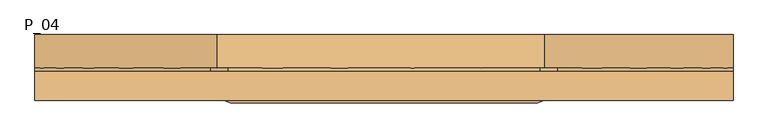
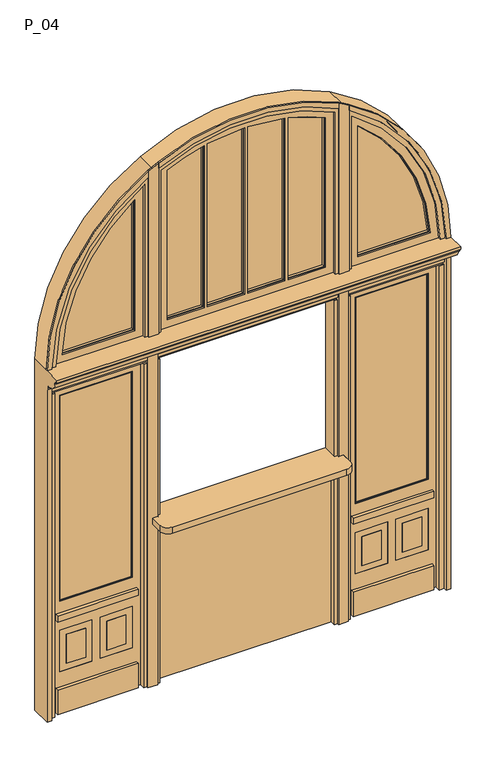
"""IFC4 building model written with IfcOpenShell, lengths in millimetres: door geometry, P_04."""

from ifc_helpers import new_model, si_unit, point, frame, frame_2d, origin, origin_with_axes, place, context, project, spatial, polyline, circle_curve, trimmed, segment, composite_curve, outline, extrude, faceted_brep, source, transform, mapped, element, save
from ifc_brep_helpers import plane_surface, cylinder_surface, revolved_surface, advanced_brep


def p_04_f39f9c70(model_context):
    return source(origin(), model_context, "Body", "SolidModel", [
        extrude(outline(composite_curve([segment(polyline([(540.0, 125.0), (540.0, 35.0), (590.0, 35.0), (590.0, -55.0)]), True, "CONTINUOUS"), segment(trimmed(circle_curve(frame_2d((540.0, -55.0)), 50.0), [point((590.0, -55.0))], [point((540.0, -105.0))], False, "CARTESIAN"), True, "CONTINUOUS"), segment(polyline([(540.0, -105.0), (-540.0, -105.0)]), True, "CONTINUOUS"), segment(trimmed(circle_curve(frame_2d((-540.0, -55.0)), 50.0), [point((-540.0, -105.0))], [point((-590.0, -55.0))], False, "CARTESIAN"), True, "CONTINUOUS"), segment(polyline([(-590.0, -55.0), (-590.0, 35.0), (-540.0, 35.0), (-540.0, 125.0), (540.0, 125.0)]), True, "CONTINUOUS")], self_intersect=False)), frame((0.0, 0.0, 1060.0), z_axis=(0.0, 0.0, 1.0), x_axis=(1.0, 0.0, 0.0)), (0.0, 0.0, 1.0), 40.0),
        extrude(outline(polyline([(-540.0, 105.0), (-540.0, 125.0), (540.0, 125.0), (540.0, 105.0), (-540.0, 105.0)])), frame((0.0, 0.0, 760.0), z_axis=(0.0, 0.0, 1.0), x_axis=(1.0, 0.0, 0.0)), (0.0, 0.0, 1.0), 300.0),
        extrude(outline(composite_curve([segment(polyline([(540.0, 125.0), (540.0, 35.0), (560.0, 35.0), (560.0, 15.0), (590.0, 15.0), (590.0, -55.0)]), True, "CONTINUOUS"), segment(trimmed(circle_curve(frame_2d((540.0, -55.0)), 50.0), [point((590.0, -55.0))], [point((540.0, -105.0))], False, "CARTESIAN"), True, "CONTINUOUS"), segment(polyline([(540.0, -105.0), (-540.0, -105.0)]), True, "CONTINUOUS"), segment(trimmed(circle_curve(frame_2d((-540.0, -55.0)), 50.0), [point((-540.0, -105.0))], [point((-590.0, -55.0))], False, "CARTESIAN"), True, "CONTINUOUS"), segment(polyline([(-590.0, -55.0), (-590.0, 15.0), (-560.0, 15.0), (-560.0, 35.0), (-540.0, 35.0), (-540.0, 125.0), (540.0, 125.0)]), True, "CONTINUOUS")], self_intersect=False)), frame((0.0, 0.0, 1060.0), z_axis=(0.0, 0.0, 1.0), x_axis=(1.0, 0.0, 0.0)), (0.0, 0.0, 1.0), 40.0),
        extrude(outline(polyline([(-540.0, 65.0), (-540.0, 105.0), (540.0, 105.0), (540.0, 65.0), (-540.0, 65.0)])), origin_with_axes(), (0.0, 0.0, 1.0), 1060.0),
        extrude(outline(polyline([(-665.0, 45.0), (-1165.0, 45.0), (-1165.0, 65.0), (-665.0, 65.0), (-665.0, 45.0)])), frame((0.0, 0.0, 605.0), z_axis=(0.0, 0.0, 1.0), x_axis=(1.0, 0.0, 0.0)), (0.0, 0.0, 1.0), 40.0),
        extrude(outline(polyline([(-665.0, 45.0), (-1165.0, 45.0), (-1165.0, 65.0), (-665.0, 65.0), (-665.0, 45.0)])), origin_with_axes(), (0.0, 0.0, 1.0), 160.0),
        extrude(outline(polyline([(1165.0, 45.0), (665.0, 45.0), (665.0, 65.0), (1165.0, 65.0), (1165.0, 45.0)])), frame((0.0, 0.0, 605.0), z_axis=(0.0, 0.0, 1.0), x_axis=(1.0, 0.0, 0.0)), (0.0, 0.0, 1.0), 40.0),
        extrude(outline(polyline([(1165.0, 45.0), (665.0, 45.0), (665.0, 65.0), (1165.0, 65.0), (1165.0, 45.0)])), origin_with_axes(), (0.0, 0.0, 1.0), 160.0),
        extrude(outline(composite_curve([segment(polyline([(3417.5419468, 559.9999974), (2300.0, 559.9999974), (2300.0, 620.0), (3385.4031509, 620.0)]), True, "CONTINUOUS"), segment(trimmed(circle_curve(frame_2d((2300.0, 0.0)), 1250.0), [point((3385.4031509, 620.0))], [point((3417.5419468, 559.9999974))], False, "CARTESIAN"), True, "CONTINUOUS")], self_intersect=False)), frame((0.0, 10.0, 0.0), z_axis=(0.0, 1.0, 0.0), x_axis=(0.0, 0.0, 1.0)), (0.0, 0.0, 1.0), 10.0),
        extrude(outline(composite_curve([segment(polyline([(2300.0, -620.0), (2300.0, -560.0), (3417.5419455, -560.0)]), True, "CONTINUOUS"), segment(trimmed(circle_curve(frame_2d((2300.0, 0.0)), 1250.0), [point((3417.5419455, -560.0))], [point((3385.4031509, -620.0))], False, "CARTESIAN"), True, "CONTINUOUS"), segment(polyline([(3385.4031509, -620.0), (2300.0, -620.0)]), True, "CONTINUOUS")], self_intersect=False)), frame((0.0, 10.0, 0.0), z_axis=(0.0, 1.0, 0.0), x_axis=(0.0, 0.0, 1.0)), (0.0, 0.0, 1.0), 10.0),
        extrude(outline(composite_curve([segment(trimmed(circle_curve(frame_2d((2300.0, 0.0)), 1135.0), [point((2355.0, 1133.6666177))], [point((3197.329371, 695.0))], False, "CARTESIAN"), True, "CONTINUOUS"), segment(polyline([(3197.329371, 695.0), (2355.0, 695.0), (2355.0, 1133.6666177)]), True, "CONTINUOUS")], self_intersect=False)), frame((0.0, 65.0, 0.0), z_axis=(0.0, 1.0, 0.0), x_axis=(0.0, 0.0, 1.0)), (0.0, 0.0, 1.0), 10.0),
        extrude(outline(composite_curve([segment(polyline([(2355.0, 265.0), (2355.0, 485.0), (3326.0554537, 485.0)]), True, "CONTINUOUS"), segment(trimmed(circle_curve(frame_2d((2300.0, 0.0)), 1134.9073945), [point((3326.0554537, 485.0))], [point((3403.5351349, 265.0))], False, "CARTESIAN"), True, "CONTINUOUS"), segment(polyline([(3403.5351349, 265.0), (2355.0, 265.0)]), True, "CONTINUOUS")], self_intersect=False)), frame((0.0, 65.0, 0.0), z_axis=(0.0, 1.0, 0.0), x_axis=(0.0, 0.0, 1.0)), (0.0, 0.0, 1.0), 10.0),
        extrude(outline(composite_curve([segment(polyline([(2355.0, 15.0), (2355.0, 235.0), (3410.4053314, 235.0)]), True, "CONTINUOUS"), segment(trimmed(circle_curve(frame_2d((2300.0, 0.0)), 1135.0), [point((3410.4053314, 235.0))], [point((3434.9008767, 15.0))], False, "CARTESIAN"), True, "CONTINUOUS"), segment(polyline([(3434.9008767, 15.0), (2355.0, 15.0)]), True, "CONTINUOUS")], self_intersect=False)), frame((0.0, 65.0, 0.0), z_axis=(0.0, 1.0, 0.0), x_axis=(0.0, 0.0, 1.0)), (0.0, 0.0, 1.0), 10.0),
        extrude(outline(composite_curve([segment(polyline([(2355.0, -15.0), (3434.9008767, -15.0)]), True, "CONTINUOUS"), segment(trimmed(circle_curve(frame_2d((2300.0, 0.0)), 1135.0), [point((3434.9008767, -15.0))], [point((3410.4053314, -235.0))], False, "CARTESIAN"), True, "CONTINUOUS"), segment(polyline([(3410.4053314, -235.0), (2355.0, -235.0), (2355.0, -15.0)]), True, "CONTINUOUS")], self_intersect=False)), frame((0.0, 65.0, 0.0), z_axis=(0.0, 1.0, 0.0), x_axis=(0.0, 0.0, 1.0)), (0.0, 0.0, 1.0), 10.0),
        extrude(outline(composite_curve([segment(polyline([(2355.0, -485.0), (2355.0, -265.0), (3403.5351349, -265.0)]), True, "CONTINUOUS"), segment(trimmed(circle_curve(frame_2d((2300.0, 0.0)), 1134.9073945), [point((3403.5351349, -265.0))], [point((3326.0554537, -485.0))], False, "CARTESIAN"), True, "CONTINUOUS"), segment(polyline([(3326.0554537, -485.0), (2355.0, -485.0)]), True, "CONTINUOUS")], self_intersect=False)), frame((0.0, 65.0, 0.0), z_axis=(0.0, 1.0, 0.0), x_axis=(0.0, 0.0, 1.0)), (0.0, 0.0, 1.0), 10.0),
        extrude(outline(composite_curve([segment(polyline([(2355.0, -695.0), (3197.329371, -695.0)]), True, "CONTINUOUS"), segment(trimmed(circle_curve(frame_2d((2300.0, 0.0)), 1135.0), [point((3197.329371, -695.0))], [point((2355.0, -1133.6666177))], False, "CARTESIAN"), True, "CONTINUOUS"), segment(polyline([(2355.0, -1133.6666177), (2355.0, -695.0)]), True, "CONTINUOUS")], self_intersect=False)), frame((0.0, 65.0, 0.0), z_axis=(0.0, 1.0, 0.0), x_axis=(0.0, 0.0, 1.0)), (0.0, 0.0, 1.0), 10.0),
        extrude(outline(composite_curve([segment(trimmed(circle_curve(frame_2d((2300.0, 0.0)), 1140.0), [point((2350.0, 1138.9029809))], [point((3207.4690077, 690.0))], False, "CARTESIAN"), True, "CONTINUOUS"), segment(polyline([(3207.4690077, 690.0), (2350.0, 690.0), (2350.0, 1138.9029809)]), True, "CONTINUOUS")], self_intersect=False), holes=[composite_curve([segment(trimmed(circle_curve(frame_2d((2300.0, 0.0)), 1135.0), [point((3197.329371, 695.0))], [point((2355.0, 1133.6666177))], True, "CARTESIAN"), True, "CONTINUOUS"), segment(polyline([(2355.0, 1133.6666177), (2355.0, 695.0), (3197.329371, 695.0)]), True, "CONTINUOUS")], self_intersect=False)]), frame((0.0, 50.0, 0.0), z_axis=(0.0, 1.0, 0.0), x_axis=(0.0, 0.0, 1.0)), (0.0, 0.0, 1.0), 40.0),
        extrude(outline(composite_curve([segment(trimmed(circle_curve(frame_2d((2300.0, 0.0)), 1140.0), [point((3329.320164, 490.0))], [point((3409.954954, 260.0))], False, "CARTESIAN"), True, "CONTINUOUS"), segment(polyline([(3409.954954, 260.0), (2350.0, 260.0), (2350.0, 490.0), (3329.320164, 490.0)]), True, "CONTINUOUS")], self_intersect=False), holes=[composite_curve([segment(polyline([(2355.0, 485.0), (2355.0, 265.0), (3403.5351349, 265.0)]), True, "CONTINUOUS"), segment(trimmed(circle_curve(frame_2d((2300.0, 0.0)), 1134.9073945), [point((3403.5351349, 265.0))], [point((3326.0554537, 485.0))], True, "CARTESIAN"), True, "CONTINUOUS"), segment(polyline([(3326.0554537, 485.0), (2355.0, 485.0)]), True, "CONTINUOUS")], self_intersect=False)]), frame((0.0, 50.0, 0.0), z_axis=(0.0, 1.0, 0.0), x_axis=(0.0, 0.0, 1.0)), (0.0, 0.0, 1.0), 40.0),
        extrude(outline(composite_curve([segment(trimmed(circle_curve(frame_2d((2300.0, 0.0)), 1140.0), [point((3414.4505373, 240.0))], [point((3439.9561395, 10.0))], False, "CARTESIAN"), True, "CONTINUOUS"), segment(polyline([(3439.9561395, 10.0), (2350.0, 10.0), (2350.0, 240.0), (3414.4505373, 240.0)]), True, "CONTINUOUS")], self_intersect=False), holes=[composite_curve([segment(polyline([(2355.0, 235.0), (2355.0, 15.0), (3434.9008767, 15.0)]), True, "CONTINUOUS"), segment(trimmed(circle_curve(frame_2d((2300.0, 0.0)), 1135.0), [point((3434.9008767, 15.0))], [point((3410.4053314, 235.0))], True, "CARTESIAN"), True, "CONTINUOUS"), segment(polyline([(3410.4053314, 235.0), (2355.0, 235.0)]), True, "CONTINUOUS")], self_intersect=False)]), frame((0.0, 50.0, 0.0), z_axis=(0.0, 1.0, 0.0), x_axis=(0.0, 0.0, 1.0)), (0.0, 0.0, 1.0), 40.0),
        extrude(outline(composite_curve([segment(polyline([(2350.0, -10.0), (3439.9561395, -10.0)]), True, "CONTINUOUS"), segment(trimmed(circle_curve(frame_2d((2300.0, 0.0)), 1140.0), [point((3439.9561395, -10.0))], [point((3414.4505373, -240.0))], False, "CARTESIAN"), True, "CONTINUOUS"), segment(polyline([(3414.4505373, -240.0), (2350.0, -240.0), (2350.0, -10.0)]), True, "CONTINUOUS")], self_intersect=False), holes=[composite_curve([segment(trimmed(circle_curve(frame_2d((2300.0, 0.0)), 1135.0), [point((3410.4053314, -235.0))], [point((3434.9008767, -15.0))], True, "CARTESIAN"), True, "CONTINUOUS"), segment(polyline([(3434.9008767, -15.0), (2355.0, -15.0), (2355.0, -235.0), (3410.4053314, -235.0)]), True, "CONTINUOUS")], self_intersect=False)]), frame((0.0, 50.0, 0.0), z_axis=(0.0, 1.0, 0.0), x_axis=(0.0, 0.0, 1.0)), (0.0, 0.0, 1.0), 40.0),
        extrude(outline(composite_curve([segment(polyline([(2350.0, -490.0), (2350.0, -260.0), (3409.954954, -260.0)]), True, "CONTINUOUS"), segment(trimmed(circle_curve(frame_2d((2300.0, 0.0)), 1140.0), [point((3409.954954, -260.0))], [point((3329.320164, -490.0))], False, "CARTESIAN"), True, "CONTINUOUS"), segment(polyline([(3329.320164, -490.0), (2350.0, -490.0)]), True, "CONTINUOUS")], self_intersect=False), holes=[composite_curve([segment(trimmed(circle_curve(frame_2d((2300.0, 0.0)), 1134.9073945), [point((3326.0554537, -485.0))], [point((3403.5351349, -265.0))], True, "CARTESIAN"), True, "CONTINUOUS"), segment(polyline([(3403.5351349, -265.0), (2355.0, -265.0), (2355.0, -485.0), (3326.0554537, -485.0)]), True, "CONTINUOUS")], self_intersect=False)]), frame((0.0, 50.0, 0.0), z_axis=(0.0, 1.0, 0.0), x_axis=(0.0, 0.0, 1.0)), (0.0, 0.0, 1.0), 40.0),
        extrude(outline(composite_curve([segment(polyline([(2350.0, -690.0), (3207.4690077, -690.0)]), True, "CONTINUOUS"), segment(trimmed(circle_curve(frame_2d((2300.0, 0.0)), 1140.0), [point((3207.4690077, -690.0))], [point((2350.0, -1138.9029809))], False, "CARTESIAN"), True, "CONTINUOUS"), segment(polyline([(2350.0, -1138.9029809), (2350.0, -690.0)]), True, "CONTINUOUS")], self_intersect=False), holes=[composite_curve([segment(polyline([(2355.0, -695.0), (2355.0, -1133.6666177)]), True, "CONTINUOUS"), segment(trimmed(circle_curve(frame_2d((2300.0, 0.0)), 1135.0), [point((2355.0, -1133.6666177))], [point((3197.329371, -695.0))], True, "CARTESIAN"), True, "CONTINUOUS"), segment(polyline([(3197.329371, -695.0), (2355.0, -695.0)]), True, "CONTINUOUS")], self_intersect=False)]), frame((0.0, 50.0, 0.0), z_axis=(0.0, 1.0, 0.0), x_axis=(0.0, 0.0, 1.0)), (0.0, 0.0, 1.0), 40.0),
        extrude(outline(composite_curve([segment(trimmed(circle_curve(frame_2d((2300.0, 0.0)), 1190.0), [point((2300.0, 1190.0))], [point((3303.2447358, 640.0))], False, "CARTESIAN"), True, "CONTINUOUS"), segment(polyline([(3303.2447358, 640.0), (2300.0, 640.0), (2300.0, 1190.0)]), True, "CONTINUOUS")], self_intersect=False), holes=[composite_curve([segment(trimmed(circle_curve(frame_2d((2300.0, 0.0)), 1140.0), [point((3207.4690077, 690.0))], [point((2350.0, 1138.9029809))], True, "CARTESIAN"), True, "CONTINUOUS"), segment(polyline([(2350.0, 1138.9029809), (2350.0, 690.0), (3207.4690077, 690.0)]), True, "CONTINUOUS")], self_intersect=False)]), frame((0.0, 40.0, 0.0), z_axis=(0.0, 1.0, 0.0), x_axis=(0.0, 0.0, 1.0)), (0.0, 0.0, 1.0), 60.0),
        extrude(outline(composite_curve([segment(polyline([(2300.0, 540.0), (3360.4244433, 540.0)]), True, "CONTINUOUS"), segment(trimmed(circle_curve(frame_2d((2300.0, 0.0)), 1190.0), [point((3360.4244433, 540.0))], [point((3360.4244433, -540.0))], False, "CARTESIAN"), True, "CONTINUOUS"), segment(polyline([(3360.4244433, -540.0), (2300.0, -540.0), (2300.0, 540.0)]), True, "CONTINUOUS")], self_intersect=False), holes=[composite_curve([segment(polyline([(3329.320164, 490.0), (2350.0, 490.0), (2350.0, 260.0), (3409.954954, 260.0)]), True, "CONTINUOUS"), segment(trimmed(circle_curve(frame_2d((2300.0, 0.0)), 1140.0), [point((3409.954954, 260.0))], [point((3329.320164, 490.0))], True, "CARTESIAN"), True, "CONTINUOUS")], self_intersect=False), composite_curve([segment(polyline([(2350.0, -490.0), (3329.320164, -490.0)]), True, "CONTINUOUS"), segment(trimmed(circle_curve(frame_2d((2300.0, 0.0)), 1140.0), [point((3329.320164, -490.0))], [point((3409.954954, -260.0))], True, "CARTESIAN"), True, "CONTINUOUS"), segment(polyline([(3409.954954, -260.0), (2350.0, -260.0), (2350.0, -490.0)]), True, "CONTINUOUS")], self_intersect=False), composite_curve([segment(polyline([(2350.0, 10.0), (3439.9561395, 10.0)]), True, "CONTINUOUS"), segment(trimmed(circle_curve(frame_2d((2300.0, 0.0)), 1140.0), [point((3439.9561395, 10.0))], [point((3414.4505373, 240.0))], True, "CARTESIAN"), True, "CONTINUOUS"), segment(polyline([(3414.4505373, 240.0), (2350.0, 240.0), (2350.0, 10.0)]), True, "CONTINUOUS")], self_intersect=False), composite_curve([segment(polyline([(2350.0, -10.0), (2350.0, -240.0), (3414.4505373, -240.0)]), True, "CONTINUOUS"), segment(trimmed(circle_curve(frame_2d((2300.0, 0.0)), 1140.0), [point((3414.4505373, -240.0))], [point((3439.9561395, -10.0))], True, "CARTESIAN"), True, "CONTINUOUS"), segment(polyline([(3439.9561395, -10.0), (2350.0, -10.0)]), True, "CONTINUOUS")], self_intersect=False)]), frame((0.0, 40.0, 0.0), z_axis=(0.0, 1.0, 0.0), x_axis=(0.0, 0.0, 1.0)), (0.0, 0.0, 1.0), 60.0),
        extrude(outline(composite_curve([segment(polyline([(2300.0, -640.0), (3303.2447358, -640.0)]), True, "CONTINUOUS"), segment(trimmed(circle_curve(frame_2d((2300.0, 0.0)), 1190.0), [point((3303.2447358, -640.0))], [point((2300.0, -1190.0))], False, "CARTESIAN"), True, "CONTINUOUS"), segment(polyline([(2300.0, -1190.0), (2300.0, -640.0)]), True, "CONTINUOUS")], self_intersect=False), holes=[composite_curve([segment(polyline([(3207.4690077, -690.0), (2350.0, -690.0), (2350.0, -1138.9029809)]), True, "CONTINUOUS"), segment(trimmed(circle_curve(frame_2d((2300.0, 0.0)), 1140.0), [point((2350.0, -1138.9029809))], [point((3207.4690077, -690.0))], True, "CARTESIAN"), True, "CONTINUOUS")], self_intersect=False)]), frame((0.0, 40.0, 0.0), z_axis=(0.0, 1.0, 0.0), x_axis=(0.0, 0.0, 1.0)), (0.0, 0.0, 1.0), 60.0),
        extrude(outline(composite_curve([segment(trimmed(circle_curve(frame_2d((2300.0, 0.0)), 1220.0), [point((3370.6578316, 584.8861492))], [point((3369.3386235, -587.2945669))], False, "CARTESIAN"), True, "CONTINUOUS"), segment(trimmed(circle_curve(frame_2d((2300.0, 0.0)), 1220.0), [point((3369.3386235, -587.2945669))], [point((2300.0, -1220.0))], False, "CARTESIAN"), True, "CONTINUOUS"), segment(polyline([(2300.0, -1220.0), (2300.0, -1190.0)]), True, "CONTINUOUS"), segment(trimmed(circle_curve(frame_2d((2300.0, 0.0)), 1190.0), [point((2300.0, -1190.0))], [point((3303.2447358, -640.0))], True, "CARTESIAN"), True, "CONTINUOUS"), segment(polyline([(3303.2447358, -640.0), (2300.0, -640.0), (2300.0, -540.0), (3360.4244433, -540.0)]), True, "CONTINUOUS"), segment(trimmed(circle_curve(frame_2d((2300.0, 0.0)), 1190.0), [point((3360.4244433, -540.0))], [point((3360.4244433, 540.0))], True, "CARTESIAN"), True, "CONTINUOUS"), segment(polyline([(3360.4244433, 540.0), (2300.0, 540.0), (2300.0, 640.0), (3303.2447358, 640.0)]), True, "CONTINUOUS"), segment(trimmed(circle_curve(frame_2d((2300.0, 0.0)), 1190.0), [point((3303.2447358, 640.0))], [point((2300.0, 1190.0))], True, "CARTESIAN"), True, "CONTINUOUS"), segment(polyline([(2300.0, 1190.0), (2300.0, 1220.0)]), True, "CONTINUOUS"), segment(trimmed(circle_curve(frame_2d((2300.0, 0.0)), 1220.0), [point((2300.0, 1220.0))], [point((3370.6578316, 584.8861492))], False, "CARTESIAN"), True, "CONTINUOUS")], self_intersect=False)), frame((0.0, 20.0, 0.0), z_axis=(0.0, 1.0, 0.0), x_axis=(0.0, 0.0, 1.0)), (0.0, 0.0, 1.0), 100.0),
        advanced_brep(
        [(-1250.0, 10.0, 0.0), (-1220.0, 10.0, 0.0), (-1220.0, 10.0, 2180.0), (-1250.0, 10.0, 2180.0), (1220.0, 10.0, 0.0), (1250.0, 10.0, 0.0), (1250.0, 10.0, 2180.0), (1220.0, 10.0, 2180.0), (-1220.0, 10.0, 2300.0), (-620.0, 10.0, 3350.7140429), (-620.0, 10.0, 3385.4031509), (-1250.0, 10.0, 2300.0), (1250.0, 10.0, 2300.0), (620.0, 10.0, 3385.4031509), (620.0, 10.0, 3350.7140429), (1220.0, 10.0, 2300.0), (-560.0, 10.0, 3417.5419455), (-560.0, 10.0, 3383.8819124), (559.9999974, 10.0, 3383.8819137), (559.9999974, 10.0, 3417.5419468), (-1250.0, 140.0, 0.0), (-1220.0, 140.0, 0.0), (-1220.0, 140.0, 2300.0), (-1220.0, 120.0, 2300.0), (-1220.0, 120.0, 2120.0), (-1220.0, 60.0, 2120.0), (-1220.0, 60.0, 2180.0), (1220.0, 140.0, 2300.0), (1220.0, 140.0, 0.0), (1220.0, 60.0, 2180.0), (1220.0, 60.0, 2120.0), (1220.0, 120.0, 2120.0), (1220.0, 120.0, 2300.0), (1250.0, 140.0, 0.0), (1250.0, 20.0, 2300.0), (1250.0, -95.0, 2300.0), (1250.0, -95.0, 2285.0), (1250.0, -85.0, 2285.0), (1250.0, -85.0, 2270.0), (1250.0, -75.0, 2270.0), (1250.0, -15.0, 2210.0), (1250.0, -5.0, 2210.0), (1250.0, -5.0, 2195.0), (1250.0, 5.0, 2195.0), (1250.0, 5.0, 2180.0), (1250.0, 140.0, 2300.0), (-1250.0, 20.0, 2300.0), (-1250.0, 140.0, 2300.0), (-1250.0, 5.0, 2180.0), (-1250.0, 5.0, 2195.0), (-1250.0, -5.0, 2195.0), (-1250.0, -5.0, 2210.0), (-1250.0, -15.0, 2210.0), (-1250.0, -75.0, 2270.0), (-1250.0, -85.0, 2270.0), (-1250.0, -85.0, 2285.0), (-1250.0, -95.0, 2285.0), (-1250.0, -95.0, 2300.0), (596.8275039, 140.0, 3364.0474287), (-602.4969533, 140.0, 3360.8475014), (-599.4350824, 140.0, 3396.8945173), (575.7103184, 140.0, 3409.5303643), (-1220.0, 20.0, 2300.0), (-620.0, 20.0, 3350.7140429), (-620.0, 20.0, 3385.4031509), (620.0, 20.0, 3385.4031509), (620.0, 20.0, 3350.7140429), (1220.0, 20.0, 2300.0), (-560.0, 20.0, 3417.5419455), (-560.0, 20.0, 3383.8819124), (559.9999974, 20.0, 3383.8819137), (559.9999974, 20.0, 3417.5419468), (-602.4969533, 20.0, 3360.8475014), (-599.4350824, 20.0, 3396.8945173), (596.8275039, 20.0, 3364.0474287), (575.7103184, 20.0, 3409.5303643)],
        [
            (0, 1),
            (1, 2),
            (2, 3),
            (3, 0),
            (4, 5),
            (5, 6),
            (6, 7),
            (7, 4),
            (8, 9, circle_curve(frame((0.0, 10.0, 2300.0), z_axis=(0.0, 1.0, 0.0), x_axis=(1.0, 0.0, 0.0)), 1220.0)),
            (9, 10),
            (10, 11, circle_curve(frame((0.0, 10.0, 2300.0), z_axis=(0.0, -1.0, 0.0), x_axis=(1.0, 0.0, 0.0)), 1250.0)),
            (11, 8),
            (12, 13, circle_curve(frame((0.0, 10.0, 2300.0), z_axis=(0.0, -1.0, 0.0), x_axis=(1.0, 0.0, 0.0)), 1250.0)),
            (13, 14),
            (14, 15, circle_curve(frame((0.0, 10.0, 2300.0), z_axis=(0.0, 1.0, 0.0), x_axis=(1.0, 0.0, 0.0)), 1220.0)),
            (15, 12),
            (16, 17),
            (17, 18, circle_curve(frame((0.0, 10.0, 2300.0), z_axis=(0.0, 1.0, 0.0), x_axis=(1.0, 0.0, 0.0)), 1220.0)),
            (18, 19),
            (19, 16, circle_curve(frame((0.0, 10.0, 2300.0), z_axis=(0.0, -1.0, 0.0), x_axis=(1.0, 0.0, 0.0)), 1250.0)),
            (0, 20),
            (20, 21),
            (21, 1),
            (21, 22),
            (22, 23),
            (23, 24),
            (24, 25),
            (25, 26),
            (26, 2),
            (27, 28),
            (28, 4),
            (7, 29),
            (29, 30),
            (30, 31),
            (31, 32),
            (32, 27),
            (28, 33),
            (33, 5),
            (34, 12),
            (12, 35),
            (35, 36),
            (36, 37),
            (37, 38),
            (38, 39),
            (39, 40, circle_curve(frame((1250.0, -15.0, 2270.0), z_axis=(1.0, 0.0, 0.0), x_axis=(0.0, 0.0, 1.0)), 60.0)),
            (40, 41),
            (41, 42),
            (42, 43),
            (43, 44),
            (44, 6),
            (33, 45),
            (45, 34),
            (11, 46),
            (46, 47),
            (47, 20),
            (3, 48),
            (48, 49),
            (49, 50),
            (50, 51),
            (51, 52),
            (52, 53, circle_curve(frame((-1250.0, -15.0, 2270.0), z_axis=(-1.0, 0.0, 0.0), x_axis=(0.0, 0.0, 1.0)), 60.0)),
            (53, 54),
            (54, 55),
            (55, 56),
            (56, 57),
            (57, 11),
            (27, 58, circle_curve(frame((0.0, 140.0, 2300.0), z_axis=(0.0, -1.0, 0.0), x_axis=(1.0, 0.0, 0.0)), 1220.0)),
            (58, 59, circle_curve(frame((0.0, 140.0, 2300.0), z_axis=(0.0, -1.0, 0.0), x_axis=(1.0, 0.0, 0.0)), 1220.0)),
            (59, 22, circle_curve(frame((0.0, 140.0, 2300.0), z_axis=(0.0, -1.0, 0.0), x_axis=(1.0, 0.0, 0.0)), 1220.0)),
            (47, 60, circle_curve(frame((0.0, 140.0, 2300.0), z_axis=(0.0, 1.0, 0.0), x_axis=(1.0, 0.0, 0.0)), 1250.0)),
            (60, 61, circle_curve(frame((0.0, 140.0, 2300.0), z_axis=(0.0, 1.0, 0.0), x_axis=(1.0, 0.0, 0.0)), 1250.0)),
            (61, 45, circle_curve(frame((0.0, 140.0, 2300.0), z_axis=(0.0, 1.0, 0.0), x_axis=(1.0, 0.0, 0.0)), 1250.0)),
            (8, 62),
            (62, 63, circle_curve(frame((0.0, 20.0, 2300.0), z_axis=(0.0, 1.0, 0.0), x_axis=(1.0, 0.0, 0.0)), 1220.0)),
            (63, 9),
            (63, 64),
            (64, 10),
            (64, 46, circle_curve(frame((0.0, 20.0, 2300.0), z_axis=(0.0, -1.0, 0.0), x_axis=(1.0, 0.0, 0.0)), 1250.0)),
            (34, 65, circle_curve(frame((0.0, 20.0, 2300.0), z_axis=(0.0, -1.0, 0.0), x_axis=(1.0, 0.0, 0.0)), 1250.0)),
            (65, 13),
            (65, 66),
            (66, 14),
            (66, 67, circle_curve(frame((0.0, 20.0, 2300.0), z_axis=(0.0, 1.0, 0.0), x_axis=(1.0, 0.0, 0.0)), 1220.0)),
            (67, 15),
            (16, 68),
            (68, 69),
            (69, 17),
            (69, 70, circle_curve(frame((0.0, 20.0, 2300.0), z_axis=(0.0, 1.0, 0.0), x_axis=(1.0, 0.0, 0.0)), 1220.0)),
            (70, 18),
            (70, 71),
            (71, 19),
            (71, 68, circle_curve(frame((0.0, 20.0, 2300.0), z_axis=(0.0, -1.0, 0.0), x_axis=(1.0, 0.0, 0.0)), 1250.0)),
            (59, 72),
            (72, 63, circle_curve(frame((0.0, 20.0, 2300.0), z_axis=(0.0, -1.0, 0.0), x_axis=(1.0, 0.0, 0.0)), 1220.0)),
            (62, 23),
            (73, 64, circle_curve(frame((0.0, 20.0, 2300.0), z_axis=(0.0, -1.0, 0.0), x_axis=(1.0, 0.0, 0.0)), 1250.0)),
            (72, 69, circle_curve(frame((0.0, 20.0, 2300.0), z_axis=(0.0, 1.0, 0.0), x_axis=(1.0, 0.0, 0.0)), 1220.0)),
            (68, 73, circle_curve(frame((0.0, 20.0, 2300.0), z_axis=(0.0, -1.0, 0.0), x_axis=(1.0, 0.0, 0.0)), 1250.0)),
            (74, 66, circle_curve(frame((0.0, 20.0, 2300.0), z_axis=(0.0, 1.0, 0.0), x_axis=(1.0, 0.0, 0.0)), 1220.0)),
            (65, 75, circle_curve(frame((0.0, 20.0, 2300.0), z_axis=(0.0, -1.0, 0.0), x_axis=(1.0, 0.0, 0.0)), 1250.0)),
            (75, 71, circle_curve(frame((0.0, 20.0, 2300.0), z_axis=(0.0, -1.0, 0.0), x_axis=(1.0, 0.0, 0.0)), 1250.0)),
            (70, 74, circle_curve(frame((0.0, 20.0, 2300.0), z_axis=(0.0, 1.0, 0.0), x_axis=(1.0, 0.0, 0.0)), 1220.0)),
            (73, 60),
            (61, 75),
            (32, 67),
            (74, 58),
            (24, 31),
            (30, 25),
            (57, 35),
            (32, 23),
            (29, 26),
            (44, 48),
            (49, 43),
            (42, 50),
            (41, 51),
            (40, 52),
            (39, 53),
            (38, 54),
            (37, 55),
            (36, 56),
        ],
        [
            plane_surface(frame((-1250.0, 10.0, 0.0), z_axis=(0.0, -1.0, 0.0), x_axis=(1.0, 0.0, 0.0))),
            plane_surface(frame((-1250.0, 10.0, 0.0), z_axis=(0.0, 0.0, -1.0), x_axis=(0.0, 1.0, 0.0))),
            plane_surface(frame((-1220.0, 10.0, 0.0), z_axis=(1.0, 0.0, 0.0), x_axis=(0.0, 1.0, 0.0))),
            plane_surface(frame((1220.0, 10.0, 2300.0), z_axis=(-1.0, 0.0, 0.0), x_axis=(0.0, 1.0, 0.0))),
            plane_surface(frame((1220.0, 10.0, 0.0), z_axis=(0.0, 0.0, -1.0), x_axis=(0.0, 1.0, 0.0))),
            plane_surface(frame((1250.0, 10.0, 0.0), z_axis=(1.0, 0.0, 0.0), x_axis=(0.0, 1.0, 0.0))),
            plane_surface(frame((-1250.0, 10.0, 2300.0), z_axis=(-1.0, 0.0, 0.0), x_axis=(0.0, 1.0, 0.0))),
            plane_surface(frame((1250.0, 140.0, 2300.0), z_axis=(0.0, 1.0, 0.0), x_axis=(0.0, 0.0, -1.0))),
            revolved_surface(polyline([(1220.0, 20.0, 2300.0), (1220.0, 10.0, 2300.0)]), (0.0, 20.0, 2300.0), (0.0, 1.0, 0.0)),
            plane_surface(frame((-620.0, 10.0, 3350.7140429), z_axis=(1.0, 0.0, 0.0), x_axis=(0.0, 1.0, 0.0))),
            cylinder_surface(frame((0.0, 20.0, 2300.0), z_axis=(0.0, -1.0, 0.0), x_axis=(1.0, 0.0, 0.0)), 1250.0),
            cylinder_surface(frame((0.0, -220.0, 2300.0), z_axis=(0.0, -1.0, 0.0), x_axis=(1.0, 0.0, 0.0)), 1250.0),
            plane_surface(frame((620.0, 10.0, 3385.4031509), z_axis=(-1.0, 0.0, 0.0), x_axis=(0.0, 1.0, 0.0))),
            revolved_surface(polyline([(1220.0, 20.0, 2300.0), (1220.0, 10.0, 2300.0)]), (0.0, -220.0, 2300.0), (0.0, 1.0, 0.0)),
            plane_surface(frame((-560.0, 10.0, 3417.5419455), z_axis=(-1.0, 0.0, 0.0), x_axis=(0.0, 1.0, 0.0))),
            plane_surface(frame((559.9999974, 10.0, 3383.8819137), z_axis=(1.0, 0.0, 0.0), x_axis=(0.0, 1.0, 0.0))),
            revolved_surface(polyline([(1220.0, 140.0, 2300.0), (1220.0, 20.0, 2300.0)]), (0.0, 140.0, 2300.0), (0.0, 1.0, 0.0)),
            plane_surface(frame((1250.0, 20.0, 2300.0), z_axis=(0.0, -1.0, 0.0), x_axis=(0.0, 0.0, 1.0))),
            cylinder_surface(frame((0.0, 140.0, 2300.0), z_axis=(0.0, -1.0, 0.0), x_axis=(1.0, 0.0, 0.0)), 1250.0),
            plane_surface(frame((-1250.0, 120.0, 2120.0), z_axis=(0.0, 0.0, -1.0), x_axis=(1.0, 0.0, 0.0))),
            plane_surface(frame((-1250.0, -95.0, 2300.0), z_axis=(0.0, 0.0, 1.0), x_axis=(1.0, 0.0, 0.0))),
            plane_surface(frame((-1250.0, 120.0, 2300.0), z_axis=(0.0, 1.0, 0.0), x_axis=(1.0, 0.0, 0.0))),
            plane_surface(frame((-1250.0, 60.0, 2120.0), z_axis=(0.0, -1.0, 0.0), x_axis=(1.0, 0.0, 0.0))),
            plane_surface(frame((-1250.0, 60.0, 2180.0), z_axis=(0.0, 0.0, -1.0), x_axis=(1.0, 0.0, 0.0))),
            plane_surface(frame((-1250.0, 5.0, 2195.0), z_axis=(0.0, 0.0, -1.0), x_axis=(1.0, 0.0, 0.0))),
            plane_surface(frame((-1250.0, -5.0, 2195.0), z_axis=(0.0, -1.0, 0.0), x_axis=(1.0, 0.0, 0.0))),
            plane_surface(frame((-1250.0, -5.0, 2210.0), z_axis=(0.0, 0.0, -1.0), x_axis=(1.0, 0.0, 0.0))),
            cylinder_surface(frame((1250.0, -15.0, 2270.0), z_axis=(-1.0, 0.0, 0.0), x_axis=(0.0, 0.0, 1.0)), 60.0),
            plane_surface(frame((-1250.0, -75.0, 2270.0), z_axis=(0.0, 0.0, -1.0), x_axis=(1.0, 0.0, 0.0))),
            plane_surface(frame((-1250.0, -85.0, 2270.0), z_axis=(0.0, -1.0, 0.0), x_axis=(1.0, 0.0, 0.0))),
            plane_surface(frame((-1250.0, -85.0, 2285.0), z_axis=(0.0, 0.0, -1.0), x_axis=(1.0, 0.0, 0.0))),
            plane_surface(frame((-1250.0, -95.0, 2285.0), z_axis=(0.0, -1.0, 0.0), x_axis=(1.0, 0.0, 0.0))),
            plane_surface(frame((-1250.0, 5.0, 2180.0), z_axis=(0.0, -1.0, 0.0), x_axis=(1.0, 0.0, 0.0))),
        ],
        [
            (0, [[1, 2, 3, 4]]),
            (0, [[5, 6, 7, 8]]),
            (0, [[9, 10, 11, 12]]),
            (0, [[13, 14, 15, 16]]),
            (0, [[17, 18, 19, 20]]),
            (1, [[-1, 21, 22, 23]]),
            (2, [[24, 25, 26, 27, 28, 29, -2, -23]]),
            (3, [[30, 31, -8, 32, 33, 34, 35, 36]]),
            (4, [[-5, -31, 37, 38]]),
            (5, [[39, 40, 41, 42, 43, 44, 45, 46, 47, 48, 49, 50, -6, -38, 51, 52]]),
            (6, [[53, 54, 55, -21, -4, 56, 57, 58, 59, 60, 61, 62, 63, 64, 65, 66]]),
            (7, [[-51, -37, -30, 67, 68, 69, -24, -22, -55, 70, 71, 72]]),
            (8, [[-9, 73, 74, 75]]),
            (9, [[-10, -75, 76, 77]]),
            (10, [[-11, -77, 78, -53]]),
            (11, [[-13, -39, 79, 80]]),
            (12, [[-14, -80, 81, 82]]),
            (13, [[-15, -82, 83, 84]]),
            (14, [[-17, 85, 86, 87]]),
            (13, [[-18, -87, 88, 89]]),
            (15, [[-19, -89, 90, 91]]),
            (11, [[-20, -91, 92, -85]]),
            (16, [[-69, 93, 94, -74, 95, -25]]),
            (17, [[96, -76, -94, 97, -86, 98]]),
            (17, [[99, -81, 100, 101, -90, 102]]),
            (18, [[-70, -54, -78, -96, 103]]),
            (18, [[-52, -72, 104, -100, -79]]),
            (16, [[-67, -36, 105, -83, -99, 106]]),
            (16, [[-68, -106, -102, -88, -97, -93]]),
            (18, [[-71, -103, -98, -92, -101, -104]]),
            (19, [[107, -34, 108, -27]]),
            (20, [[109, -40, -16, -84, -105, 110, -95, -73, -12, -66]]),
            (21, [[-110, -35, -107, -26]]),
            (22, [[-108, -33, 111, -28]]),
            (23, [[112, -56, -3, -29, -111, -32, -7, -50]]),
            (24, [[-58, 113, -48, 114]]),
            (25, [[-59, -114, -47, 115]]),
            (26, [[-60, -115, -46, 116]]),
            (27, [[-61, -116, -45, 117]]),
            (28, [[-62, -117, -44, 118]]),
            (29, [[-63, -118, -43, 119]]),
            (30, [[-64, -119, -42, 120]]),
            (31, [[-65, -120, -41, -109]]),
            (32, [[-57, -112, -49, -113]]),
        ],
    ),
        faceted_brep([(-1220.0, 40.0, 2140.0), (-1220.0, 40.0, 2160.0), (-620.0, 40.0, 2160.0), (-620.0, 40.0, 2180.0), (-560.0, 40.0, 2180.0), (-560.0, 40.0, 2160.0), (560.0, 40.0, 2160.0), (560.0, 40.0, 2180.0), (620.0, 40.0, 2180.0), (620.0, 40.0, 2160.0), (1220.0, 40.0, 2160.0), (1220.0, 40.0, 2140.0), (620.0, 40.0, 2140.0), (620.0, 40.0, 0.0), (560.0, 40.0, 0.0), (560.0, 40.0, 2140.0), (-560.0, 40.0, 2140.0), (-560.0, 40.0, 0.0), (-620.0, 40.0, 0.0), (-620.0, 40.0, 2140.0), (620.0, 20.0, 2180.0), (620.0, 20.0, 0.0), (620.0, 25.0, 2140.0), (620.0, 25.0, 2160.0), (560.0, 20.0, 0.0), (560.0, 20.0, 2180.0), (560.0, 25.0, 2160.0), (560.0, 25.0, 2140.0), (-560.0, 20.0, 2180.0), (-560.0, 20.0, 0.0), (-560.0, 25.0, 2140.0), (-560.0, 25.0, 2160.0), (-620.0, 20.0, 0.0), (-620.0, 20.0, 2180.0), (-620.0, 25.0, 2160.0), (-620.0, 25.0, 2140.0), (1220.0, 25.0, 2140.0), (1220.0, 25.0, 2160.0), (-1220.0, 25.0, 2160.0), (-1220.0, 25.0, 2140.0)], [[[0, 1, 2, 3, 4, 5, 6, 7, 8, 9, 10, 11, 12, 13, 14, 15, 16, 17, 18, 19]], [[20, 21, 13, 12, 22, 23, 9, 8]], [[14, 13, 21, 24]], [[24, 25, 7, 6, 26, 27, 15, 14]], [[28, 29, 17, 16, 30, 31, 5, 4]], [[18, 17, 29, 32]], [[32, 33, 3, 2, 34, 35, 19, 18]], [[28, 33, 32, 29]], [[20, 25, 24, 21]], [[36, 37, 23, 22]], [[38, 39, 35, 34]], [[26, 31, 30, 27]], [[37, 36, 11, 10]], [[31, 26, 6, 5]], [[37, 10, 9, 23]], [[1, 38, 34, 2]], [[39, 38, 1, 0]], [[27, 30, 16, 15]], [[11, 36, 22, 12]], [[39, 0, 19, 35]], [[4, 3, 33, 28]], [[8, 7, 25, 20]]]),
        faceted_brep([(-1220.0, 40.0, 2180.0), (-1220.0, 40.0, 2120.0), (-1190.0, 40.0, 2120.0), (-640.0, 40.0, 2120.0), (-540.0, 40.0, 2120.0), (540.0, 40.0, 2120.0), (640.0, 40.0, 2120.0), (1190.0, 40.0, 2120.0), (1220.0, 40.0, 2120.0), (1220.0, 40.0, 2180.0), (-1190.0, 30.0, 0.0), (-1220.0, 30.0, 0.0), (-1220.0, 120.0, 0.0), (-1190.0, 120.0, 0.0), (-1190.0, 30.0, 2120.0), (-1190.0, 120.0, 2120.0), (-1190.0, 65.0, 2120.0), (-640.0, 30.0, 0.0), (-640.0, 30.0, 2120.0), (-640.0, 65.0, 2120.0), (-640.0, 120.0, 2120.0), (-640.0, 120.0, 0.0), (-540.0, 30.0, 0.0), (-540.0, 120.0, 0.0), (-540.0, 30.0, 2120.0), (-540.0, 120.0, 2120.0), (-540.0, 65.0, 2120.0), (540.0, 30.0, 0.0), (540.0, 30.0, 2120.0), (540.0, 65.0, 2120.0), (540.0, 120.0, 2120.0), (540.0, 120.0, 0.0), (640.0, 30.0, 0.0), (640.0, 120.0, 0.0), (640.0, 30.0, 2120.0), (640.0, 120.0, 2120.0), (640.0, 65.0, 2120.0), (1190.0, 30.0, 0.0), (1190.0, 30.0, 2120.0), (1190.0, 65.0, 2120.0), (1190.0, 120.0, 2120.0), (1190.0, 120.0, 0.0), (1220.0, 30.0, 0.0), (1220.0, 120.0, 0.0), (1220.0, 30.0, 2120.0), (1220.0, 120.0, 2120.0), (1220.0, 65.0, 2120.0), (1220.0, 65.0, 2180.0), (-1220.0, 65.0, 2180.0), (-1220.0, 65.0, 2120.0), (-1220.0, 120.0, 2120.0), (-1220.0, 30.0, 2120.0)], [[[0, 1, 2, 3, 4, 5, 6, 7, 8, 9]], [[10, 11, 12, 13]], [[14, 10, 13, 15, 16, 2]], [[17, 18, 3, 19, 20, 21]], [[22, 17, 21, 23]], [[24, 22, 23, 25, 26, 4]], [[27, 28, 5, 29, 30, 31]], [[32, 27, 31, 33]], [[34, 32, 33, 35, 36, 6]], [[37, 38, 7, 39, 40, 41]], [[42, 37, 41, 43]], [[9, 8, 44, 42, 43, 45, 46, 47]], [[1, 0, 48, 49, 50, 12, 11, 51]], [[25, 23, 21, 20]], [[35, 33, 31, 30]], [[43, 41, 40, 45]], [[50, 15, 13, 12]], [[48, 47, 46, 39, 36, 29, 26, 19, 16, 49]], [[0, 9, 47, 48]], [[3, 2, 16, 19]], [[5, 4, 26, 29]], [[7, 6, 36, 39]], [[35, 30, 29, 36]], [[28, 34, 6, 5]], [[25, 20, 19, 26]], [[18, 24, 4, 3]], [[45, 40, 39, 46]], [[38, 44, 8, 7]], [[15, 50, 49, 16]], [[51, 14, 2, 1]], [[42, 44, 38, 37]], [[51, 11, 10, 14]], [[34, 28, 27, 32]], [[24, 18, 17, 22]]]),
        extrude(outline(polyline([(-695.0, 71.0), (-1135.0, 71.0), (-1135.0, 79.0), (-695.0, 79.0), (-695.0, 71.0)])), frame((0.0, 0.0, 725.0), z_axis=(0.0, 0.0, 1.0), x_axis=(1.0, 0.0, 0.0)), (0.0, 0.0, 1.0), 1340.0),
        extrude(outline(polyline([(1135.0, 71.0), (695.0, 71.0), (695.0, 79.0), (1135.0, 79.0), (1135.0, 71.0)])), frame((0.0, 0.0, 725.0), z_axis=(0.0, 0.0, 1.0), x_axis=(1.0, 0.0, 0.0)), (0.0, 0.0, 1.0), 1340.0),
        extrude(outline(polyline([(530.0, -940.0), (530.0, -1140.0), (260.0, -1140.0), (260.0, -940.0), (530.0, -940.0)]), holes=[polyline([(525.0, -945.0), (265.0, -945.0), (265.0, -1135.0), (525.0, -1135.0), (525.0, -945.0)])]), frame((0.0, 70.0, 0.0), z_axis=(0.0, 1.0, 0.0), x_axis=(0.0, 0.0, 1.0)), (0.0, 0.0, 1.0), 5.0),
        extrude(outline(polyline([(530.0, -690.0), (530.0, -890.0), (260.0, -890.0), (260.0, -690.0), (530.0, -690.0)]), holes=[polyline([(525.0, -695.0), (265.0, -695.0), (265.0, -885.0), (525.0, -885.0), (525.0, -695.0)])]), frame((0.0, 70.0, 0.0), z_axis=(0.0, 1.0, 0.0), x_axis=(0.0, 0.0, 1.0)), (0.0, 0.0, 1.0), 5.0),
        extrude(outline(polyline([(530.0, 890.0), (530.0, 690.0), (260.0, 690.0), (260.0, 890.0), (530.0, 890.0)]), holes=[polyline([(525.0, 885.0), (265.0, 885.0), (265.0, 695.0), (525.0, 695.0), (525.0, 885.0)])]), frame((0.0, 70.0, 0.0), z_axis=(0.0, 1.0, 0.0), x_axis=(0.0, 0.0, 1.0)), (0.0, 0.0, 1.0), 5.0),
        extrude(outline(polyline([(530.0, 1140.0), (530.0, 940.0), (260.0, 940.0), (260.0, 1140.0), (530.0, 1140.0)]), holes=[polyline([(525.0, 1135.0), (265.0, 1135.0), (265.0, 945.0), (525.0, 945.0), (525.0, 1135.0)])]), frame((0.0, 70.0, 0.0), z_axis=(0.0, 1.0, 0.0), x_axis=(0.0, 0.0, 1.0)), (0.0, 0.0, 1.0), 5.0),
        extrude(outline(polyline([(495.0, 855.0), (495.0, 725.0), (295.0, 725.0), (295.0, 855.0), (495.0, 855.0)]), holes=[polyline([(490.0, 850.0), (300.0, 850.0), (300.0, 730.0), (490.0, 730.0), (490.0, 850.0)])]), frame((0.0, 70.0, 0.0), z_axis=(0.0, 1.0, 0.0), x_axis=(0.0, 0.0, 1.0)), (0.0, 0.0, 1.0), 5.0),
        extrude(outline(polyline([(495.0, 1105.0), (495.0, 975.0), (295.0, 975.0), (295.0, 1105.0), (495.0, 1105.0)]), holes=[polyline([(490.0, 1100.0), (300.0, 1100.0), (300.0, 980.0), (490.0, 980.0), (490.0, 1100.0)])]), frame((0.0, 70.0, 0.0), z_axis=(0.0, 1.0, 0.0), x_axis=(0.0, 0.0, 1.0)), (0.0, 0.0, 1.0), 5.0),
        extrude(outline(polyline([(495.0, -975.0), (495.0, -1105.0), (295.0, -1105.0), (295.0, -975.0), (495.0, -975.0)]), holes=[polyline([(490.0, -980.0), (300.0, -980.0), (300.0, -1100.0), (490.0, -1100.0), (490.0, -980.0)])]), frame((0.0, 70.0, 0.0), z_axis=(0.0, 1.0, 0.0), x_axis=(0.0, 0.0, 1.0)), (0.0, 0.0, 1.0), 5.0),
        extrude(outline(polyline([(495.0, -725.0), (495.0, -855.0), (295.0, -855.0), (295.0, -725.0), (495.0, -725.0)]), holes=[polyline([(490.0, -730.0), (300.0, -730.0), (300.0, -850.0), (490.0, -850.0), (490.0, -730.0)])]), frame((0.0, 70.0, 0.0), z_axis=(0.0, 1.0, 0.0), x_axis=(0.0, 0.0, 1.0)), (0.0, 0.0, 1.0), 5.0),
        extrude(outline(polyline([(2070.0, -690.0), (2070.0, -1140.0), (720.0, -1140.0), (720.0, -690.0), (2070.0, -690.0)]), holes=[polyline([(2065.0, -695.0), (725.0, -695.0), (725.0, -1135.0), (2065.0, -1135.0), (2065.0, -695.0)])]), frame((0.0, 70.0, 0.0), z_axis=(0.0, 1.0, 0.0), x_axis=(0.0, 0.0, 1.0)), (0.0, 0.0, 1.0), 5.0),
        extrude(outline(polyline([(2070.0, 1140.0), (2070.0, 690.0), (720.0, 690.0), (720.0, 1140.0), (2070.0, 1140.0)]), holes=[polyline([(2065.0, 1135.0), (725.0, 1135.0), (725.0, 695.0), (2065.0, 695.0), (2065.0, 1135.0)])]), frame((0.0, 70.0, 0.0), z_axis=(0.0, 1.0, 0.0), x_axis=(0.0, 0.0, 1.0)), (0.0, 0.0, 1.0), 5.0),
        extrude(outline(polyline([(2120.0, -640.0), (2120.0, -1190.0), (0.0, -1190.0), (0.0, -640.0), (2120.0, -640.0)]), holes=[polyline([(2070.0, -690.0), (720.0, -690.0), (720.0, -1140.0), (2070.0, -1140.0), (2070.0, -690.0)]), polyline([(260.0, -940.0), (260.0, -1140.0), (530.0, -1140.0), (530.0, -940.0), (260.0, -940.0)]), polyline([(260.0, -690.0), (260.0, -890.0), (530.0, -890.0), (530.0, -690.0), (260.0, -690.0)])]), frame((0.0, 65.0, 0.0), z_axis=(0.0, 1.0, 0.0), x_axis=(0.0, 0.0, 1.0)), (0.0, 0.0, 1.0), 10.0),
        extrude(outline(polyline([(2120.0, 1190.0), (2120.0, 640.0), (0.0, 640.0), (0.0, 1190.0), (2120.0, 1190.0)]), holes=[polyline([(720.0, 690.0), (2070.0, 690.0), (2070.0, 1140.0), (720.0, 1140.0), (720.0, 690.0)]), polyline([(260.0, 890.0), (260.0, 690.0), (530.0, 690.0), (530.0, 890.0), (260.0, 890.0)]), polyline([(260.0, 1140.0), (260.0, 940.0), (530.0, 940.0), (530.0, 1140.0), (260.0, 1140.0)])]), frame((0.0, 65.0, 0.0), z_axis=(0.0, 1.0, 0.0), x_axis=(0.0, 0.0, 1.0)), (0.0, 0.0, 1.0), 10.0),
        extrude(outline(polyline([(-980.0, 65.0), (-1100.0, 65.0), (-1100.0, 75.0), (-980.0, 75.0), (-980.0, 65.0)])), frame((0.0, 0.0, 300.0), z_axis=(0.0, 0.0, 1.0), x_axis=(1.0, 0.0, 0.0)), (0.0, 0.0, 1.0), 190.0),
        extrude(outline(polyline([(-730.0, 65.0), (-850.0, 65.0), (-850.0, 75.0), (-730.0, 75.0), (-730.0, 65.0)])), frame((0.0, 0.0, 300.0), z_axis=(0.0, 0.0, 1.0), x_axis=(1.0, 0.0, 0.0)), (0.0, 0.0, 1.0), 190.0),
        extrude(outline(polyline([(850.0, 65.0), (730.0, 65.0), (730.0, 75.0), (850.0, 75.0), (850.0, 65.0)])), frame((0.0, 0.0, 300.0), z_axis=(0.0, 0.0, 1.0), x_axis=(1.0, 0.0, 0.0)), (0.0, 0.0, 1.0), 190.0),
        extrude(outline(polyline([(1100.0, 65.0), (980.0, 65.0), (980.0, 75.0), (1100.0, 75.0), (1100.0, 65.0)])), frame((0.0, 0.0, 300.0), z_axis=(0.0, 0.0, 1.0), x_axis=(1.0, 0.0, 0.0)), (0.0, 0.0, 1.0), 190.0),
        extrude(outline(polyline([(530.0, 940.0), (260.0, 940.0), (260.0, 1140.0), (530.0, 1140.0), (530.0, 940.0)]), holes=[polyline([(525.0, 945.0), (525.0, 1135.0), (265.0, 1135.0), (265.0, 945.0), (525.0, 945.0)])]), frame((0.0, 85.0, 0.0), z_axis=(0.0, 1.0, 0.0), x_axis=(0.0, 0.0, 1.0)), (0.0, 0.0, 1.0), 5.0),
        extrude(outline(polyline([(530.0, 690.0), (260.0, 690.0), (260.0, 890.0), (530.0, 890.0), (530.0, 690.0)]), holes=[polyline([(525.0, 695.0), (525.0, 885.0), (265.0, 885.0), (265.0, 695.0), (525.0, 695.0)])]), frame((0.0, 85.0, 0.0), z_axis=(0.0, 1.0, 0.0), x_axis=(0.0, 0.0, 1.0)), (0.0, 0.0, 1.0), 5.0),
        extrude(outline(polyline([(495.0, 975.0), (295.0, 975.0), (295.0, 1105.0), (495.0, 1105.0), (495.0, 975.0)]), holes=[polyline([(490.0, 980.0), (490.0, 1100.0), (300.0, 1100.0), (300.0, 980.0), (490.0, 980.0)])]), frame((0.0, 85.0, 0.0), z_axis=(0.0, 1.0, 0.0), x_axis=(0.0, 0.0, 1.0)), (0.0, 0.0, 1.0), 5.0),
        extrude(outline(polyline([(495.0, 725.0), (295.0, 725.0), (295.0, 855.0), (495.0, 855.0), (495.0, 725.0)]), holes=[polyline([(490.0, 730.0), (490.0, 850.0), (300.0, 850.0), (300.0, 730.0), (490.0, 730.0)])]), frame((0.0, 85.0, 0.0), z_axis=(0.0, 1.0, 0.0), x_axis=(0.0, 0.0, 1.0)), (0.0, 0.0, 1.0), 5.0),
        extrude(outline(polyline([(530.0, -890.0), (260.0, -890.0), (260.0, -690.0), (530.0, -690.0), (530.0, -890.0)]), holes=[polyline([(525.0, -885.0), (525.0, -695.0), (265.0, -695.0), (265.0, -885.0), (525.0, -885.0)])]), frame((0.0, 85.0, 0.0), z_axis=(0.0, 1.0, 0.0), x_axis=(0.0, 0.0, 1.0)), (0.0, 0.0, 1.0), 5.0),
        extrude(outline(polyline([(530.0, -1140.0), (260.0, -1140.0), (260.0, -940.0), (530.0, -940.0), (530.0, -1140.0)]), holes=[polyline([(525.0, -1135.0), (525.0, -945.0), (265.0, -945.0), (265.0, -1135.0), (525.0, -1135.0)])]), frame((0.0, 85.0, 0.0), z_axis=(0.0, 1.0, 0.0), x_axis=(0.0, 0.0, 1.0)), (0.0, 0.0, 1.0), 5.0),
        extrude(outline(polyline([(495.0, -855.0), (295.0, -855.0), (295.0, -725.0), (495.0, -725.0), (495.0, -855.0)]), holes=[polyline([(490.0, -850.0), (490.0, -730.0), (300.0, -730.0), (300.0, -850.0), (490.0, -850.0)])]), frame((0.0, 85.0, 0.0), z_axis=(0.0, 1.0, 0.0), x_axis=(0.0, 0.0, 1.0)), (0.0, 0.0, 1.0), 5.0),
        extrude(outline(polyline([(495.0, -1105.0), (295.0, -1105.0), (295.0, -975.0), (495.0, -975.0), (495.0, -1105.0)]), holes=[polyline([(490.0, -1100.0), (490.0, -980.0), (300.0, -980.0), (300.0, -1100.0), (490.0, -1100.0)])]), frame((0.0, 85.0, 0.0), z_axis=(0.0, 1.0, 0.0), x_axis=(0.0, 0.0, 1.0)), (0.0, 0.0, 1.0), 5.0),
        extrude(outline(polyline([(2070.0, 690.0), (720.0, 690.0), (720.0, 1140.0), (2070.0, 1140.0), (2070.0, 690.0)]), holes=[polyline([(2065.0, 695.0), (2065.0, 1135.0), (725.0, 1135.0), (725.0, 695.0), (2065.0, 695.0)])]), frame((0.0, 85.0, 0.0), z_axis=(0.0, 1.0, 0.0), x_axis=(0.0, 0.0, 1.0)), (0.0, 0.0, 1.0), 5.0),
        extrude(outline(polyline([(2070.0, -1140.0), (720.0, -1140.0), (720.0, -690.0), (2070.0, -690.0), (2070.0, -1140.0)]), holes=[polyline([(2065.0, -1135.0), (2065.0, -695.0), (725.0, -695.0), (725.0, -1135.0), (2065.0, -1135.0)])]), frame((0.0, 85.0, 0.0), z_axis=(0.0, 1.0, 0.0), x_axis=(0.0, 0.0, 1.0)), (0.0, 0.0, 1.0), 5.0),
        extrude(outline(polyline([(2120.0, 640.0), (0.0, 640.0), (0.0, 1190.0), (2120.0, 1190.0), (2120.0, 640.0)]), holes=[polyline([(530.0, 940.0), (530.0, 1140.0), (260.0, 1140.0), (260.0, 940.0), (530.0, 940.0)]), polyline([(260.0, 890.0), (260.0, 690.0), (530.0, 690.0), (530.0, 890.0), (260.0, 890.0)]), polyline([(2070.0, 690.0), (2070.0, 1140.0), (720.0, 1140.0), (720.0, 690.0), (2070.0, 690.0)])]), frame((0.0, 85.0, 0.0), z_axis=(0.0, 1.0, 0.0), x_axis=(0.0, 0.0, 1.0)), (0.0, 0.0, 1.0), 10.0),
        extrude(outline(polyline([(2120.0, -1190.0), (0.0, -1190.0), (0.0, -640.0), (2120.0, -640.0), (2120.0, -1190.0)]), holes=[polyline([(530.0, -890.0), (530.0, -690.0), (260.0, -690.0), (260.0, -890.0), (530.0, -890.0)]), polyline([(260.0, -940.0), (260.0, -1140.0), (530.0, -1140.0), (530.0, -940.0), (260.0, -940.0)]), polyline([(2070.0, -1140.0), (2070.0, -690.0), (720.0, -690.0), (720.0, -1140.0), (2070.0, -1140.0)])]), frame((0.0, 85.0, 0.0), z_axis=(0.0, 1.0, 0.0), x_axis=(0.0, 0.0, 1.0)), (0.0, 0.0, 1.0), 10.0),
        extrude(outline(polyline([(1100.0, 85.0), (980.0, 85.0), (980.0, 95.0), (1100.0, 95.0), (1100.0, 85.0)])), frame((0.0, 0.0, 300.0), z_axis=(0.0, 0.0, 1.0), x_axis=(1.0, 0.0, 0.0)), (0.0, 0.0, 1.0), 190.0),
        extrude(outline(polyline([(850.0, 85.0), (730.0, 85.0), (730.0, 95.0), (850.0, 95.0), (850.0, 85.0)])), frame((0.0, 0.0, 300.0), z_axis=(0.0, 0.0, 1.0), x_axis=(1.0, 0.0, 0.0)), (0.0, 0.0, 1.0), 190.0),
        extrude(outline(polyline([(-730.0, 85.0), (-850.0, 85.0), (-850.0, 95.0), (-730.0, 95.0), (-730.0, 85.0)])), frame((0.0, 0.0, 300.0), z_axis=(0.0, 0.0, 1.0), x_axis=(1.0, 0.0, 0.0)), (0.0, 0.0, 1.0), 190.0),
        extrude(outline(polyline([(-980.0, 85.0), (-1100.0, 85.0), (-1100.0, 95.0), (-980.0, 95.0), (-980.0, 85.0)])), frame((0.0, 0.0, 300.0), z_axis=(0.0, 0.0, 1.0), x_axis=(1.0, 0.0, 0.0)), (0.0, 0.0, 1.0), 190.0),
        extrude(outline(polyline([(2120.0, 640.0), (0.0, 640.0), (0.0, 1190.0), (2120.0, 1190.0), (2120.0, 640.0)]), holes=[polyline([(2065.0, 695.0), (2065.0, 1135.0), (725.0, 1135.0), (725.0, 695.0), (2065.0, 695.0)])]), frame((0.0, 65.0, 0.0), z_axis=(0.0, 1.0, 0.0), x_axis=(0.0, 0.0, 1.0)), (0.0, 0.0, 1.0), 20.0),
        extrude(outline(polyline([(2120.0, -1190.0), (0.0, -1190.0), (0.0, -640.0), (2120.0, -640.0), (2120.0, -1190.0)]), holes=[polyline([(2065.0, -1135.0), (2065.0, -695.0), (725.0, -695.0), (725.0, -1135.0), (2065.0, -1135.0)])]), frame((0.0, 65.0, 0.0), z_axis=(0.0, 1.0, 0.0), x_axis=(0.0, 0.0, 1.0)), (0.0, 0.0, 1.0), 20.0),
    ])


if __name__ == "__main__":
    model = new_model("IFC4")
    model_context = context("Model", 3, world=origin())
    ifc_project = project(units=[si_unit("LENGTHUNIT", "METRE", prefix="MILLI")], contexts=[model_context])
    site = spatial("IfcSite", under=ifc_project)
    building = spatial("IfcBuilding", under=site)
    placement = place(None, origin())
    p_04_shape = p_04_f39f9c70(model_context)
    element("IfcDoor", 1, ObjectType="P_04", at=placement, inside=building, context=model_context, shape_type="MappedRepresentation", body=[
        mapped(p_04_shape, transform((0.0, 0.0, 0.0), x_axis=(1.0, 0.0, 0.0), y_axis=(0.0, 1.0, 0.0), z_axis=(0.0, 0.0, 1.0))),
    ])
    save(model, "model.ifc")
